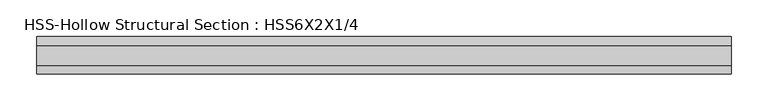
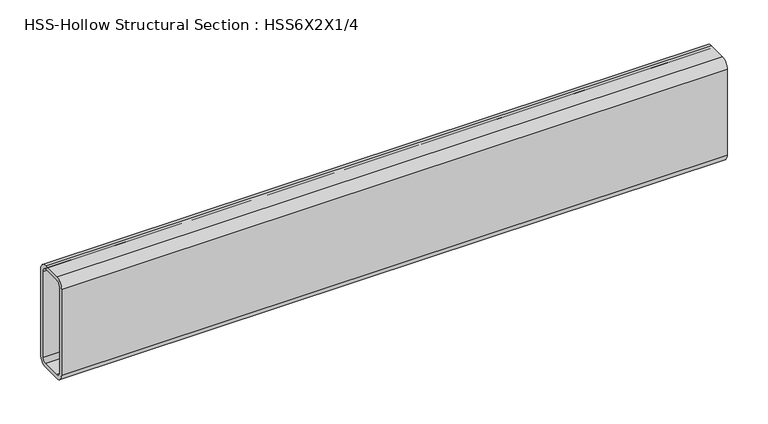
"""IFC4 building model written with IfcOpenShell, lengths in millimetres: beam geometry, HSS-Hollow Structural Section : HSS6X2X1/4."""

from ifc_helpers import new_model, si_unit, point, frame, frame_2d, origin, place, context, project, spatial, polyline, circle_curve, trimmed, segment, composite_curve, outline, extrude, source, transform, mapped, element, save


def hss_hollow_structural_section_hss6x2x1_4_6d4281de(model_context):
    return source(origin(), model_context, "Body", "SweptSolid", [
        extrude(outline(composite_curve([segment(polyline([(25.4, 64.3636), (25.4, -64.3636)]), True, "CONTINUOUS"), segment(trimmed(circle_curve(frame_2d((13.5636, -64.3636)), 11.8364), [point((25.4, -64.3636))], [point((13.5636, -76.2))], False, "CARTESIAN"), True, "CONTINUOUS"), segment(polyline([(13.5636, -76.2), (-13.5636, -76.2)]), True, "CONTINUOUS"), segment(trimmed(circle_curve(frame_2d((-13.5636, -64.3636)), 11.8364), [point((-13.5636, -76.2))], [point((-25.4, -64.3636))], False, "CARTESIAN"), True, "CONTINUOUS"), segment(polyline([(-25.4, -64.3636), (-25.4, 64.3636)]), True, "CONTINUOUS"), segment(trimmed(circle_curve(frame_2d((-13.5636, 64.3636)), 11.8364), [point((-25.4, 64.3636))], [point((-13.5636, 76.2))], False, "CARTESIAN"), True, "CONTINUOUS"), segment(polyline([(-13.5636, 76.2), (13.5636, 76.2)]), True, "CONTINUOUS"), segment(trimmed(circle_curve(frame_2d((13.5636, 64.3636)), 11.8364), [point((13.5636, 76.2))], [point((25.4, 64.3636))], False, "CARTESIAN"), True, "CONTINUOUS")], self_intersect=False), holes=[composite_curve([segment(trimmed(circle_curve(frame_2d((-13.5636, 64.3636)), 5.9182), [point((-13.5636, 70.2818))], [point((-19.4818, 64.3636))], True, "CARTESIAN"), True, "CONTINUOUS"), segment(polyline([(-19.4818, 64.3636), (-19.4818, -64.3636)]), True, "CONTINUOUS"), segment(trimmed(circle_curve(frame_2d((-13.5636, -64.3636)), 5.9182), [point((-19.4818, -64.3636))], [point((-13.5636, -70.2818))], True, "CARTESIAN"), True, "CONTINUOUS"), segment(polyline([(-13.5636, -70.2818), (13.5636, -70.2818)]), True, "CONTINUOUS"), segment(trimmed(circle_curve(frame_2d((13.5636, -64.3636)), 5.9182), [point((13.5636, -70.2818))], [point((19.4818, -64.3636))], True, "CARTESIAN"), True, "CONTINUOUS"), segment(polyline([(19.4818, -64.3636), (19.4818, 64.3636)]), True, "CONTINUOUS"), segment(trimmed(circle_curve(frame_2d((13.5636, 64.3636)), 5.9182), [point((19.4818, 64.3636))], [point((13.5636, 70.2818))], True, "CARTESIAN"), True, "CONTINUOUS"), segment(polyline([(13.5636, 70.2818), (-13.5636, 70.2818)]), True, "CONTINUOUS")], self_intersect=False)]), frame((-470.9803487, 0.0, 0.0), z_axis=(1.0, 0.0, 0.0), x_axis=(0.0, 1.0, 0.0)), (0.0, 0.0, 1.0), 942.1867358),
    ])


if __name__ == "__main__":
    model = new_model("IFC4")
    model_context = context("Model", 3, world=origin())
    ifc_project = project(units=[si_unit("LENGTHUNIT", "METRE", prefix="MILLI")], contexts=[model_context])
    site = spatial("IfcSite", under=ifc_project)
    building = spatial("IfcBuilding", under=site)
    placement = place(None, origin())
    hss_hollow_structural_section_hss6x2x1_4_shape = hss_hollow_structural_section_hss6x2x1_4_6d4281de(model_context)
    element("IfcBeam", 1, ObjectType="HSS-Hollow Structural Section : HSS6X2X1/4", at=placement, inside=building, context=model_context, shape_type="MappedRepresentation", body=[
        mapped(hss_hollow_structural_section_hss6x2x1_4_shape, transform((0.0, 0.0, 0.0), x_axis=(1.0, 0.0, 0.0), y_axis=(0.0, 1.0, 0.0), z_axis=(0.0, 0.0, 1.0))),
    ])
    save(model, "model.ifc")
